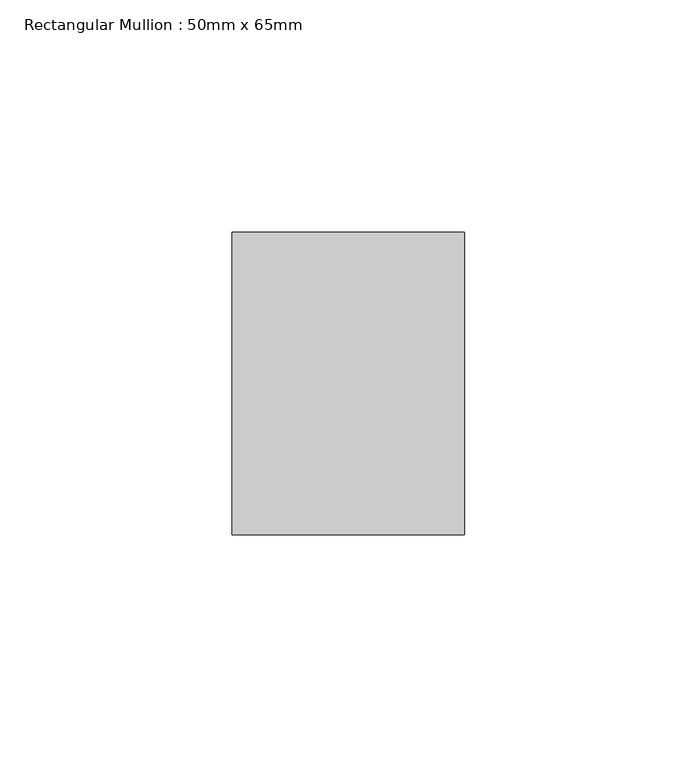
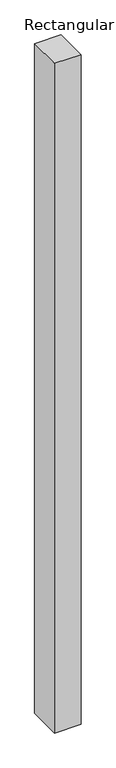
"""IFC4 building model written with IfcOpenShell, lengths in millimetres: member geometry, Rectangular Mullion : 50mm x 65mm."""

from ifc_helpers import new_model, si_unit, frame, origin, place, context, project, spatial, polyline, outline, extrude, source, transform, mapped, element, save


def rectangular_mullion_50mm_x_65mm_83a361c3(model_context):
    return source(origin(), model_context, "Body", "SweptSolid", [
        extrude(outline(polyline([(25.0, 32.5), (25.0, -32.5), (-25.0, -32.5), (-25.0, 32.5), (25.0, 32.5)])), frame((0.0, 0.0, -1337.4794905), z_axis=(0.0, 0.0, 1.0), x_axis=(1.0, 0.0, 0.0)), (0.0, 0.0, 1.0), 1337.4794905),
    ])


if __name__ == "__main__":
    model = new_model("IFC4")
    model_context = context("Model", 3, world=origin())
    ifc_project = project(units=[si_unit("LENGTHUNIT", "METRE", prefix="MILLI")], contexts=[model_context])
    site = spatial("IfcSite", under=ifc_project)
    building = spatial("IfcBuilding", under=site)
    placement = place(None, origin())
    rectangular_mullion_50mm_x_65mm_shape = rectangular_mullion_50mm_x_65mm_83a361c3(model_context)
    element("IfcMember", 1, ObjectType="Rectangular Mullion : 50mm x 65mm", at=placement, inside=building, context=model_context, shape_type="MappedRepresentation", body=[
        mapped(rectangular_mullion_50mm_x_65mm_shape, transform((0.0, 0.0, 0.0), x_axis=(1.0, 0.0, 0.0), y_axis=(0.0, 1.0, 0.0), z_axis=(0.0, 0.0, 1.0))),
    ])
    save(model, "model.ifc")
